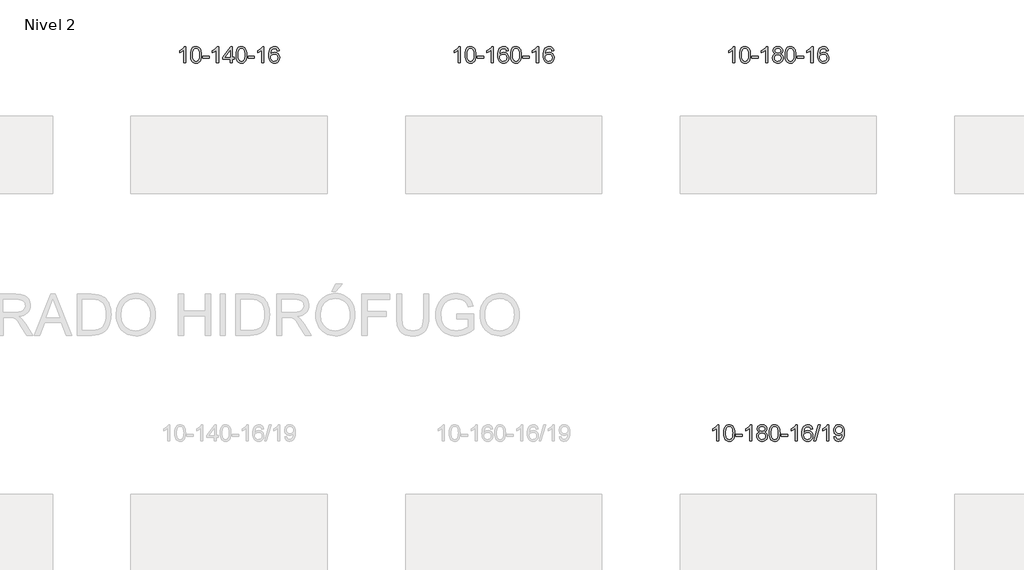
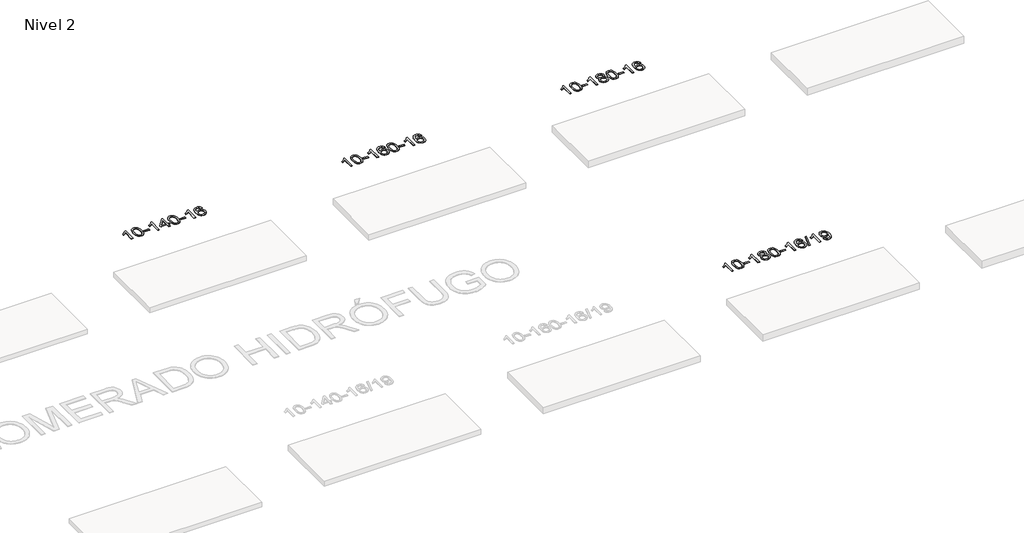
# One storey, part 20 of 51: 4 proxies.
"""IFC4 building model written with IfcOpenShell, lengths in millimetres."""

from ifc_helpers import new_model, si_unit, frame, origin, place, context, project, spatial, polyline, outline, extrude, element, save

model = new_model("IFC4")

# Units and contexts
model_context = context("Model", 3, world=origin())
ifc_project = project(units=[si_unit("LENGTHUNIT", "METRE", prefix="MILLI")], contexts=[model_context])

# Site, building, storey
site = spatial("IfcSite", under=ifc_project)
building = spatial("IfcBuilding", under=site)
storey = spatial("IfcBuildingStorey", under=building, Name="Nivel 2", Elevation=3000.0)

# Proxies
placement = place(None, origin())
element("IfcBuildingElementProxy", 1, Name="Texto de modelo 1", ObjectType="Texto de modelo 1", at=placement, inside=storey, context=model_context, shape_type="SweptSolid", body=[
    extrude(outline(polyline([(31530.5538842, -130180.5895642), (31480.3257291, -130180.5895642), (31480.3257291, -129867.4484099), (31459.3564554, -129884.4077699), (31432.7463244, -129901.3426044), (31379.869419, -129926.7019366), (31379.869419, -129879.2206338), (31419.3186316, -129857.7608507), (31453.494869, -129832.2298403), (31480.4360937, -129805.080149), (31498.1802686, -129778.7643236), (31530.5538842, -129778.7643236), (31530.5538842, -130180.5895642)])), frame((0.0, 0.0, 3000.0), z_axis=(0.0, 0.0, 1.0), x_axis=(1.0, 0.0, 0.0)), (0.0, 0.0, 1.0), 10.0),
    extrude(outline(polyline([(31649.8457525, -129982.9143055), (31653.5368352, -129918.59627), (31664.6100833, -129867.3012571), (31682.9551321, -129828.244452), (31694.8131951, -129813.0110717), (31708.4616171, -129800.6410396), (31723.9463834, -129791.0699764), (31741.3134792, -129784.2335026), (31781.6946596, -129778.7643236), (31812.6457981, -129782.0016852), (31840.3595751, -129791.7137699), (31863.5361408, -129807.5204329), (31880.8756455, -129829.0415296), (31893.9722445, -129856.093119), (31904.4200932, -129888.4912601), (31911.2626983, -129929.6327299), (31913.5435667, -129982.9143055), (31909.8892722, -130046.864459), (31898.9263887, -130098.0368445), (31880.6917045, -130137.1304379), (31868.8612327, -130152.4098034), (31855.2220077, -130164.8442148), (31839.7188473, -130174.4796574), (31822.2965691, -130181.3621164), (31781.6946596, -130186.8680836), (31754.0299335, -130184.4768507), (31729.5044672, -130177.3031517), (31708.1182605, -130165.3469869), (31689.8713136, -130148.6083561), (31672.3601306, -130118.350062), (31659.8521428, -130080.6482889), (31652.3473501, -130035.5030367), (31649.8457525, -129982.9143055)]), holes=[polyline([(31700.0739076, -129982.8162036), (31701.5454356, -130026.4807308), (31705.9600195, -130061.8249935), (31713.3176594, -130088.8489917), (31723.6183553, -130107.5527255), (31736.0772922, -130120.2783768), (31749.9096552, -130129.3681278), (31765.1154443, -130134.8219784), (31781.6946596, -130136.6399285), (31798.2738748, -130134.815847), (31813.479664, -130129.3436023), (31827.312027, -130120.2231945), (31839.7709639, -130107.4546236), (31850.0716598, -130088.720233), (31857.4292997, -130061.7023661), (31861.8438836, -130026.401023), (31863.3154116, -129982.8162036), (31861.8929345, -129940.3074391), (31857.6255034, -129905.5855101), (31850.5131181, -129878.6504167), (31840.5557788, -129859.5021588), (31828.3053084, -129846.1541738), (31814.3135298, -129836.6198987), (31798.5804432, -129830.8993337), (31781.1060484, -129828.9924787), (31764.6126723, -129830.6724732), (31749.6644005, -129835.7124565), (31736.2612332, -129844.1124287), (31724.4031702, -129855.8723898), (31713.7591178, -129876.7190362), (31706.1562232, -129904.8252207), (31701.5944865, -129940.1909431), (31700.0739076, -129982.8162036)])]), frame((0.0, 0.0, 3000.0), z_axis=(0.0, 0.0, 1.0), x_axis=(1.0, 0.0, 0.0)), (0.0, 0.0, 1.0), 10.0),
    extrude(outline(polyline([(31944.9361636, -130061.2976959), (31944.9361636, -130011.0695409), (32101.8991482, -130011.0695409), (32101.8991482, -130061.2976959), (31944.9361636, -130061.2976959)])), frame((0.0, 0.0, 3000.0), z_axis=(0.0, 0.0, 1.0), x_axis=(1.0, 0.0, 0.0)), (0.0, 0.0, 1.0), 10.0),
    extrude(outline(polyline([(32334.2043654, -130180.5895642), (32283.9762103, -130180.5895642), (32283.9762103, -129867.4484099), (32263.0069366, -129884.4077699), (32236.3968056, -129901.3426044), (32183.5199002, -129926.7019366), (32183.5199002, -129879.2206338), (32222.9691128, -129857.7608507), (32257.1453502, -129832.2298403), (32284.0865749, -129805.080149), (32301.8307498, -129778.7643236), (32334.2043654, -129778.7643236), (32334.2043654, -130180.5895642)])), frame((0.0, 0.0, 3000.0), z_axis=(0.0, 0.0, 1.0), x_axis=(1.0, 0.0, 0.0)), (0.0, 0.0, 1.0), 10.0),
    extrude(outline(polyline([(32616.7377377, -130180.5895642), (32616.7377377, -130086.4117735), (32434.6606756, -130086.4117735), (32434.6606756, -130036.1836184), (32629.2947765, -129785.042843), (32666.9658928, -129785.042843), (32666.9658928, -130036.1836184), (32717.1940479, -130036.1836184), (32717.1940479, -130086.4117735), (32666.9658928, -130086.4117735), (32666.9658928, -130180.5895642), (32616.7377377, -130180.5895642)]), holes=[polyline([(32616.7377377, -130036.1836184), (32616.7377377, -129880.9864674), (32496.4648507, -130036.1836184), (32616.7377377, -130036.1836184)])]), frame((0.0, 0.0, 3000.0), z_axis=(0.0, 0.0, 1.0), x_axis=(1.0, 0.0, 0.0)), (0.0, 0.0, 1.0), 10.0),
    extrude(outline(polyline([(32761.1436835, -129982.9143055), (32764.8347662, -129918.59627), (32775.9080143, -129867.3012571), (32794.2530631, -129828.244452), (32806.1111261, -129813.0110717), (32819.7595481, -129800.6410396), (32835.2443144, -129791.0699764), (32852.6114103, -129784.2335026), (32892.9925906, -129778.7643236), (32923.9437291, -129782.0016852), (32951.6575061, -129791.7137699), (32974.8340718, -129807.5204329), (32992.1735765, -129829.0415296), (33005.2701755, -129856.093119), (33015.7180242, -129888.4912601), (33022.5606293, -129929.6327299), (33024.8414977, -129982.9143055), (33021.1872032, -130046.864459), (33010.2243197, -130098.0368445), (32991.9896355, -130137.1304379), (32980.1591637, -130152.4098034), (32966.5199387, -130164.8442148), (32951.0167783, -130174.4796574), (32933.5945001, -130181.3621164), (32892.9925906, -130186.8680836), (32865.3278646, -130184.4768507), (32840.8023982, -130177.3031517), (32819.4161916, -130165.3469869), (32801.1692446, -130148.6083561), (32783.6580616, -130118.350062), (32771.1500738, -130080.6482889), (32763.6452811, -130035.5030367), (32761.1436835, -129982.9143055)]), holes=[polyline([(32811.3718386, -129982.8162036), (32812.8433666, -130026.4807308), (32817.2579505, -130061.8249935), (32824.6155904, -130088.8489917), (32834.9162863, -130107.5527255), (32847.3752232, -130120.2783768), (32861.2075862, -130129.3681278), (32876.4133754, -130134.8219784), (32892.9925906, -130136.6399285), (32909.5718059, -130134.815847), (32924.777595, -130129.3436023), (32938.609958, -130120.2231945), (32951.0688949, -130107.4546236), (32961.3695908, -130088.720233), (32968.7272307, -130061.7023661), (32973.1418146, -130026.401023), (32974.6133426, -129982.8162036), (32973.1908656, -129940.3074391), (32968.9234344, -129905.5855101), (32961.8110492, -129878.6504167), (32951.8537098, -129859.5021588), (32939.6032394, -129846.1541738), (32925.6114609, -129836.6198987), (32909.8783742, -129830.8993337), (32892.4039794, -129828.9924787), (32875.9106033, -129830.6724732), (32860.9623316, -129835.7124565), (32847.5591642, -129844.1124287), (32835.7011012, -129855.8723898), (32825.0570488, -129876.7190362), (32817.4541543, -129904.8252207), (32812.8924175, -129940.1909431), (32811.3718386, -129982.8162036)])]), frame((0.0, 0.0, 3000.0), z_axis=(0.0, 0.0, 1.0), x_axis=(1.0, 0.0, 0.0)), (0.0, 0.0, 1.0), 10.0),
    extrude(outline(polyline([(33056.2340946, -130061.2976959), (33056.2340946, -130011.0695409), (33213.1970792, -130011.0695409), (33213.1970792, -130061.2976959), (33056.2340946, -130061.2976959)])), frame((0.0, 0.0, 3000.0), z_axis=(0.0, 0.0, 1.0), x_axis=(1.0, 0.0, 0.0)), (0.0, 0.0, 1.0), 10.0),
    extrude(outline(polyline([(33445.5022964, -130180.5895642), (33395.2741414, -130180.5895642), (33395.2741414, -129867.4484099), (33374.3048676, -129884.4077699), (33347.6947367, -129901.3426044), (33294.8178312, -129926.7019366), (33294.8178312, -129879.2206338), (33334.2670438, -129857.7608507), (33368.4432812, -129832.2298403), (33395.384506, -129805.080149), (33413.1286809, -129778.7643236), (33445.5022964, -129778.7643236), (33445.5022964, -130180.5895642)])), frame((0.0, 0.0, 3000.0), z_axis=(0.0, 0.0, 1.0), x_axis=(1.0, 0.0, 0.0)), (0.0, 0.0, 1.0), 10.0),
    extrude(outline(polyline([(33822.2134595, -129885.4991532), (33771.9853044, -129891.7776726), (33763.8919005, -129866.8843242), (33752.9535425, -129849.888176), (33730.1693843, -129834.216403), (33702.6272856, -129828.9924787), (33679.2790416, -129832.0336365), (33657.3042238, -129841.15711), (33638.4318774, -129860.3728129), (33623.0176218, -129886.8235284), (33612.6065614, -129924.2371273), (33608.7438004, -129976.3414805), (33628.891471, -129952.833821), (33653.0367927, -129936.2668685), (33679.8308646, -129926.4444192), (33707.9247863, -129923.1702695), (33732.0578452, -129925.4082183), (33754.3269687, -129932.1220647), (33774.7321567, -129943.3118087), (33793.2734092, -129958.9774503), (33808.6815334, -129978.1870219), (33819.6873365, -130000.0085555), (33826.2908183, -130024.4420514), (33828.4919789, -130051.4875094), (33824.3471751, -130087.4541058), (33811.9127636, -130120.7964773), (33792.2188142, -130149.07434), (33766.2953962, -130169.84741), (33735.3197322, -130182.6129152), (33700.4690446, -130186.8680836), (33670.5265158, -130184.047655), (33643.4841235, -130175.5863691), (33619.3418676, -130161.484226), (33598.099748, -130141.7412255), (33580.7817031, -130115.523502), (33568.411671, -130081.9971895), (33560.9896518, -130041.1622881), (33558.5156454, -129993.0187976), (33561.2624976, -129939.0443776), (33569.5030543, -129892.9794204), (33583.2373154, -129854.8239261), (33602.465281, -129824.5778948), (33623.3057961, -129804.5344574), (33647.4695118, -129790.2177164), (33674.9564282, -129781.6276718), (33705.7665453, -129778.7643236), (33728.9001914, -129780.5362886), (33749.8388083, -129785.8521834), (33768.582396, -129794.7120081), (33785.1309544, -129807.1157627), (33799.0368938, -129822.6465143), (33809.8526245, -129840.8873299), (33817.5781464, -129861.8382095), (33822.2134595, -129885.4991532)]), holes=[polyline([(33608.7438004, -130050.7026945), (33611.6500682, -130072.9595552), (33620.3688715, -130094.2108718), (33633.9069289, -130112.4823442), (33651.2709591, -130125.7996724), (33672.2279701, -130133.9298645), (33696.5449699, -130136.6399285), (33729.6911377, -130131.0235968), (33743.6062742, -130124.003182), (33755.7494457, -130114.1746014), (33765.5994861, -130101.9363937), (33772.6352293, -130087.6870977), (33778.2638238, -130053.1552411), (33772.7088057, -130020.0090733), (33765.765033, -130006.3882425), (33756.0437513, -129994.7355803), (33743.8637916, -129985.4005746), (33729.5439849, -129978.7327135), (33694.4848308, -129973.3984246), (33661.3877139, -129978.7327135), (33633.7107252, -129994.7355803), (33622.7876956, -130006.2349583), (33614.9855316, -130019.3959367), (33610.3042332, -130034.2185154), (33608.7438004, -130050.7026945)])]), frame((0.0, 0.0, 3000.0), z_axis=(0.0, 0.0, 1.0), x_axis=(1.0, 0.0, 0.0)), (0.0, 0.0, 1.0), 10.0),
])
element("IfcBuildingElementProxy", 2, Name="Texto de modelo 1", ObjectType="Texto de modelo 1", at=placement, inside=storey, context=model_context, shape_type="SweptSolid", body=[
    extrude(outline(polyline([(38245.494419, -130180.5895642), (38195.266264, -130180.5895642), (38195.266264, -129867.4484099), (38174.2969902, -129884.4077699), (38147.6868593, -129901.3426044), (38094.8099538, -129926.7019366), (38094.8099538, -129879.2206338), (38134.2591664, -129857.7608507), (38168.4354038, -129832.2298403), (38195.3766286, -129805.080149), (38213.1208035, -129778.7643236), (38245.494419, -129778.7643236), (38245.494419, -130180.5895642)])), frame((0.0, 0.0, 3000.0), z_axis=(0.0, 0.0, 1.0), x_axis=(1.0, 0.0, 0.0)), (0.0, 0.0, 1.0), 10.0),
    extrude(outline(polyline([(38364.7862873, -129982.9143055), (38368.47737, -129918.59627), (38379.5506181, -129867.3012571), (38397.8956669, -129828.244452), (38409.7537299, -129813.0110717), (38423.4021519, -129800.6410396), (38438.8869182, -129791.0699764), (38456.2540141, -129784.2335026), (38496.6351944, -129778.7643236), (38527.5863329, -129782.0016852), (38555.3001099, -129791.7137699), (38578.4766756, -129807.5204329), (38595.8161803, -129829.0415296), (38608.9127793, -129856.093119), (38619.360628, -129888.4912601), (38626.2032331, -129929.6327299), (38628.4841015, -129982.9143055), (38624.829807, -130046.864459), (38613.8669235, -130098.0368445), (38595.6322393, -130137.1304379), (38583.8017675, -130152.4098034), (38570.1625425, -130164.8442148), (38554.6593821, -130174.4796574), (38537.2371039, -130181.3621164), (38496.6351944, -130186.8680836), (38468.9704684, -130184.4768507), (38444.445002, -130177.3031517), (38423.0587954, -130165.3469869), (38404.8118484, -130148.6083561), (38387.3006654, -130118.350062), (38374.7926776, -130080.6482889), (38367.2878849, -130035.5030367), (38364.7862873, -129982.9143055)]), holes=[polyline([(38415.0144424, -129982.8162036), (38416.4859704, -130026.4807308), (38420.9005543, -130061.8249935), (38428.2581942, -130088.8489917), (38438.5588901, -130107.5527255), (38451.017827, -130120.2783768), (38464.85019, -130129.3681278), (38480.0559792, -130134.8219784), (38496.6351944, -130136.6399285), (38513.2144097, -130134.815847), (38528.4201988, -130129.3436023), (38542.2525618, -130120.2231945), (38554.7114987, -130107.4546236), (38565.0121946, -130088.720233), (38572.3698345, -130061.7023661), (38576.7844184, -130026.401023), (38578.2559464, -129982.8162036), (38576.8334694, -129940.3074391), (38572.5660382, -129905.5855101), (38565.453653, -129878.6504167), (38555.4963136, -129859.5021588), (38543.2458432, -129846.1541738), (38529.2540646, -129836.6198987), (38513.520978, -129830.8993337), (38496.0465832, -129828.9924787), (38479.5532071, -129830.6724732), (38464.6049354, -129835.7124565), (38451.201768, -129844.1124287), (38439.343705, -129855.8723898), (38428.6996526, -129876.7190362), (38421.0967581, -129904.8252207), (38416.5350213, -129940.1909431), (38415.0144424, -129982.8162036)])]), frame((0.0, 0.0, 3000.0), z_axis=(0.0, 0.0, 1.0), x_axis=(1.0, 0.0, 0.0)), (0.0, 0.0, 1.0), 10.0),
    extrude(outline(polyline([(38659.8766984, -130061.2976959), (38659.8766984, -130011.0695409), (38816.839683, -130011.0695409), (38816.839683, -130061.2976959), (38659.8766984, -130061.2976959)])), frame((0.0, 0.0, 3000.0), z_axis=(0.0, 0.0, 1.0), x_axis=(1.0, 0.0, 0.0)), (0.0, 0.0, 1.0), 10.0),
    extrude(outline(polyline([(39049.1449002, -130180.5895642), (38998.9167452, -130180.5895642), (38998.9167452, -129867.4484099), (38977.9474714, -129884.4077699), (38951.3373404, -129901.3426044), (38898.460435, -129926.7019366), (38898.460435, -129879.2206338), (38937.9096476, -129857.7608507), (38972.085885, -129832.2298403), (38999.0271098, -129805.080149), (39016.7712847, -129778.7643236), (39049.1449002, -129778.7643236), (39049.1449002, -130180.5895642)])), frame((0.0, 0.0, 3000.0), z_axis=(0.0, 0.0, 1.0), x_axis=(1.0, 0.0, 0.0)), (0.0, 0.0, 1.0), 10.0),
    extrude(outline(polyline([(39425.8560633, -129885.4991532), (39375.6279082, -129891.7776726), (39367.5345043, -129866.8843242), (39356.5961463, -129849.888176), (39333.8119881, -129834.216403), (39306.2698894, -129828.9924787), (39282.9216454, -129832.0336365), (39260.9468276, -129841.15711), (39242.0744812, -129860.3728129), (39226.6602256, -129886.8235284), (39216.2491652, -129924.2371273), (39212.3864042, -129976.3414805), (39232.5340748, -129952.833821), (39256.6793964, -129936.2668685), (39283.4734684, -129926.4444192), (39311.5673901, -129923.1702695), (39335.700449, -129925.4082183), (39357.9695725, -129932.1220647), (39378.3747604, -129943.3118087), (39396.916013, -129958.9774503), (39412.3241372, -129978.1870219), (39423.3299403, -130000.0085555), (39429.9334221, -130024.4420514), (39432.1345827, -130051.4875094), (39427.9897789, -130087.4541058), (39415.5553674, -130120.7964773), (39395.861418, -130149.07434), (39369.938, -130169.84741), (39338.962336, -130182.6129152), (39304.1116484, -130186.8680836), (39274.1691196, -130184.047655), (39247.1267273, -130175.5863691), (39222.9844714, -130161.484226), (39201.7423518, -130141.7412255), (39184.4243069, -130115.523502), (39172.0542748, -130081.9971895), (39164.6322556, -130041.1622881), (39162.1582492, -129993.0187976), (39164.9051014, -129939.0443776), (39173.1456581, -129892.9794204), (39186.8799192, -129854.8239261), (39206.1078848, -129824.5778948), (39226.9483999, -129804.5344574), (39251.1121156, -129790.2177164), (39278.599032, -129781.6276718), (39309.4091491, -129778.7643236), (39332.5427952, -129780.5362886), (39353.4814121, -129785.8521834), (39372.2249998, -129794.7120081), (39388.7735582, -129807.1157627), (39402.6794976, -129822.6465143), (39413.4952283, -129840.8873299), (39421.2207502, -129861.8382095), (39425.8560633, -129885.4991532)]), holes=[polyline([(39212.3864042, -130050.7026945), (39215.292672, -130072.9595552), (39224.0114753, -130094.2108718), (39237.5495327, -130112.4823442), (39254.9135629, -130125.7996724), (39275.8705739, -130133.9298645), (39300.1875737, -130136.6399285), (39333.3337415, -130131.0235968), (39347.248878, -130124.003182), (39359.3920495, -130114.1746014), (39369.2420899, -130101.9363937), (39376.2778331, -130087.6870977), (39381.9064276, -130053.1552411), (39376.3514095, -130020.0090733), (39369.4076368, -130006.3882425), (39359.6863551, -129994.7355803), (39347.5063954, -129985.4005746), (39333.1865887, -129978.7327135), (39298.1274346, -129973.3984246), (39265.0303177, -129978.7327135), (39237.353329, -129994.7355803), (39226.4302994, -130006.2349583), (39218.6281354, -130019.3959367), (39213.946837, -130034.2185154), (39212.3864042, -130050.7026945)])]), frame((0.0, 0.0, 3000.0), z_axis=(0.0, 0.0, 1.0), x_axis=(1.0, 0.0, 0.0)), (0.0, 0.0, 1.0), 10.0),
    extrude(outline(polyline([(39476.0842184, -129982.9143055), (39479.7753011, -129918.59627), (39490.8485491, -129867.3012571), (39509.1935979, -129828.244452), (39521.0516609, -129813.0110717), (39534.7000829, -129800.6410396), (39550.1848492, -129791.0699764), (39567.5519451, -129784.2335026), (39607.9331254, -129778.7643236), (39638.884264, -129782.0016852), (39666.5980409, -129791.7137699), (39689.7746066, -129807.5204329), (39707.1141113, -129829.0415296), (39720.2107104, -129856.093119), (39730.658559, -129888.4912601), (39737.5011641, -129929.6327299), (39739.7820325, -129982.9143055), (39736.127738, -130046.864459), (39725.1648546, -130098.0368445), (39706.9301703, -130137.1304379), (39695.0996985, -130152.4098034), (39681.4604735, -130164.8442148), (39665.9573131, -130174.4796574), (39648.535035, -130181.3621164), (39607.9331254, -130186.8680836), (39580.2683994, -130184.4768507), (39555.7429331, -130177.3031517), (39534.3567264, -130165.3469869), (39516.1097794, -130148.6083561), (39498.5985965, -130118.350062), (39486.0906086, -130080.6482889), (39478.5858159, -130035.5030367), (39476.0842184, -129982.9143055)]), holes=[polyline([(39526.3123734, -129982.8162036), (39527.7839014, -130026.4807308), (39532.1984854, -130061.8249935), (39539.5561253, -130088.8489917), (39549.8568211, -130107.5527255), (39562.315758, -130120.2783768), (39576.1481211, -130129.3681278), (39591.3539102, -130134.8219784), (39607.9331254, -130136.6399285), (39624.5123407, -130134.815847), (39639.7181298, -130129.3436023), (39653.5504928, -130120.2231945), (39666.0094297, -130107.4546236), (39676.3101256, -130088.720233), (39683.6677655, -130061.7023661), (39688.0823495, -130026.401023), (39689.5538774, -129982.8162036), (39688.1314004, -129940.3074391), (39683.8639692, -129905.5855101), (39676.751584, -129878.6504167), (39666.7942447, -129859.5021588), (39654.5437742, -129846.1541738), (39640.5519957, -129836.6198987), (39624.818909, -129830.8993337), (39607.3445142, -129828.9924787), (39590.8511381, -129830.6724732), (39575.9028664, -129835.7124565), (39562.499699, -129844.1124287), (39550.6416361, -129855.8723898), (39539.9975837, -129876.7190362), (39532.3946891, -129904.8252207), (39527.8329524, -129940.1909431), (39526.3123734, -129982.8162036)])]), frame((0.0, 0.0, 3000.0), z_axis=(0.0, 0.0, 1.0), x_axis=(1.0, 0.0, 0.0)), (0.0, 0.0, 1.0), 10.0),
    extrude(outline(polyline([(39771.1746294, -130061.2976959), (39771.1746294, -130011.0695409), (39928.137614, -130011.0695409), (39928.137614, -130061.2976959), (39771.1746294, -130061.2976959)])), frame((0.0, 0.0, 3000.0), z_axis=(0.0, 0.0, 1.0), x_axis=(1.0, 0.0, 0.0)), (0.0, 0.0, 1.0), 10.0),
    extrude(outline(polyline([(40160.4428313, -130180.5895642), (40110.2146762, -130180.5895642), (40110.2146762, -129867.4484099), (40089.2454025, -129884.4077699), (40062.6352715, -129901.3426044), (40009.758366, -129926.7019366), (40009.758366, -129879.2206338), (40049.2075787, -129857.7608507), (40083.383816, -129832.2298403), (40110.3250408, -129805.080149), (40128.0692157, -129778.7643236), (40160.4428313, -129778.7643236), (40160.4428313, -130180.5895642)])), frame((0.0, 0.0, 3000.0), z_axis=(0.0, 0.0, 1.0), x_axis=(1.0, 0.0, 0.0)), (0.0, 0.0, 1.0), 10.0),
    extrude(outline(polyline([(40537.1539943, -129885.4991532), (40486.9258392, -129891.7776726), (40478.8324354, -129866.8843242), (40467.8940774, -129849.888176), (40445.1099191, -129834.216403), (40417.5678204, -129828.9924787), (40394.2195765, -129832.0336365), (40372.2447586, -129841.15711), (40353.3724123, -129860.3728129), (40337.9581567, -129886.8235284), (40327.5470962, -129924.2371273), (40323.6843353, -129976.3414805), (40343.8320059, -129952.833821), (40367.9773275, -129936.2668685), (40394.7713995, -129926.4444192), (40422.8653212, -129923.1702695), (40446.99838, -129925.4082183), (40469.2675035, -129932.1220647), (40489.6726915, -129943.3118087), (40508.213944, -129958.9774503), (40523.6220683, -129978.1870219), (40534.6278713, -130000.0085555), (40541.2313531, -130024.4420514), (40543.4325137, -130051.4875094), (40539.2877099, -130087.4541058), (40526.8532985, -130120.7964773), (40507.159349, -130149.07434), (40481.2359311, -130169.84741), (40450.2602671, -130182.6129152), (40415.4095794, -130186.8680836), (40385.4670507, -130184.047655), (40358.4246583, -130175.5863691), (40334.2824024, -130161.484226), (40313.0402829, -130141.7412255), (40295.7222379, -130115.523502), (40283.3522059, -130081.9971895), (40275.9301866, -130041.1622881), (40273.4561802, -129993.0187976), (40276.2030324, -129939.0443776), (40284.4435891, -129892.9794204), (40298.1778503, -129854.8239261), (40317.4058159, -129824.5778948), (40338.2463309, -129804.5344574), (40362.4100466, -129790.2177164), (40389.896963, -129781.6276718), (40420.7070801, -129778.7643236), (40443.8407262, -129780.5362886), (40464.7793431, -129785.8521834), (40483.5229308, -129794.7120081), (40500.0714892, -129807.1157627), (40513.9774286, -129822.6465143), (40524.7931593, -129840.8873299), (40532.5186812, -129861.8382095), (40537.1539943, -129885.4991532)]), holes=[polyline([(40323.6843353, -130050.7026945), (40326.590603, -130072.9595552), (40335.3094063, -130094.2108718), (40348.8474637, -130112.4823442), (40366.2114939, -130125.7996724), (40387.1685049, -130133.9298645), (40411.4855048, -130136.6399285), (40444.6316725, -130131.0235968), (40458.546809, -130124.003182), (40470.6899805, -130114.1746014), (40480.5400209, -130101.9363937), (40487.5757641, -130087.6870977), (40493.2043586, -130053.1552411), (40487.6493405, -130020.0090733), (40480.7055678, -130006.3882425), (40470.9842861, -129994.7355803), (40458.8043264, -129985.4005746), (40444.4845197, -129978.7327135), (40409.4253656, -129973.3984246), (40376.3282488, -129978.7327135), (40348.65126, -129994.7355803), (40337.7282304, -130006.2349583), (40329.9260664, -130019.3959367), (40325.2447681, -130034.2185154), (40323.6843353, -130050.7026945)])]), frame((0.0, 0.0, 3000.0), z_axis=(0.0, 0.0, 1.0), x_axis=(1.0, 0.0, 0.0)), (0.0, 0.0, 1.0), 10.0),
])
element("IfcBuildingElementProxy", 3, Name="Texto de modelo 1", ObjectType="Texto de modelo 1", at=placement, inside=storey, context=model_context, shape_type="SweptSolid", body=[
    extrude(outline(polyline([(44960.4349539, -130180.5895642), (44910.2067988, -130180.5895642), (44910.2067988, -129867.4484099), (44889.2375251, -129884.4077699), (44862.6273941, -129901.3426044), (44809.7504886, -129926.7019366), (44809.7504886, -129879.2206338), (44849.1997013, -129857.7608507), (44883.3759386, -129832.2298403), (44910.3171634, -129805.080149), (44928.0613383, -129778.7643236), (44960.4349539, -129778.7643236), (44960.4349539, -130180.5895642)])), frame((0.0, 0.0, 3000.0), z_axis=(0.0, 0.0, 1.0), x_axis=(1.0, 0.0, 0.0)), (0.0, 0.0, 1.0), 10.0),
    extrude(outline(polyline([(45079.7268222, -129982.9143055), (45083.4179048, -129918.59627), (45094.4911529, -129867.3012571), (45112.8362017, -129828.244452), (45124.6942647, -129813.0110717), (45138.3426867, -129800.6410396), (45153.827453, -129791.0699764), (45171.1945489, -129784.2335026), (45211.5757292, -129778.7643236), (45242.5268678, -129782.0016852), (45270.2406447, -129791.7137699), (45293.4172104, -129807.5204329), (45310.7567151, -129829.0415296), (45323.8533142, -129856.093119), (45334.3011628, -129888.4912601), (45341.1437679, -129929.6327299), (45343.4246363, -129982.9143055), (45339.7703418, -130046.864459), (45328.8074584, -130098.0368445), (45310.5727741, -130137.1304379), (45298.7423023, -130152.4098034), (45285.1030773, -130164.8442148), (45269.5999169, -130174.4796574), (45252.1776388, -130181.3621164), (45211.5757292, -130186.8680836), (45183.9110032, -130184.4768507), (45159.3855369, -130177.3031517), (45137.9993302, -130165.3469869), (45119.7523832, -130148.6083561), (45102.2412003, -130118.350062), (45089.7332124, -130080.6482889), (45082.2284197, -130035.5030367), (45079.7268222, -129982.9143055)]), holes=[polyline([(45129.9549772, -129982.8162036), (45131.4265052, -130026.4807308), (45135.8410892, -130061.8249935), (45143.1987291, -130088.8489917), (45153.4994249, -130107.5527255), (45165.9583618, -130120.2783768), (45179.7907249, -130129.3681278), (45194.996514, -130134.8219784), (45211.5757292, -130136.6399285), (45228.1549445, -130134.815847), (45243.3607336, -130129.3436023), (45257.1930966, -130120.2231945), (45269.6520335, -130107.4546236), (45279.9527294, -130088.720233), (45287.3103693, -130061.7023661), (45291.7249532, -130026.401023), (45293.1964812, -129982.8162036), (45291.7740042, -129940.3074391), (45287.506573, -129905.5855101), (45280.3941878, -129878.6504167), (45270.4368485, -129859.5021588), (45258.186378, -129846.1541738), (45244.1945995, -129836.6198987), (45228.4615128, -129830.8993337), (45210.987118, -129828.9924787), (45194.4937419, -129830.6724732), (45179.5454702, -129835.7124565), (45166.1423028, -129844.1124287), (45154.2842399, -129855.8723898), (45143.6401875, -129876.7190362), (45136.0372929, -129904.8252207), (45131.4755562, -129940.1909431), (45129.9549772, -129982.8162036)])]), frame((0.0, 0.0, 3000.0), z_axis=(0.0, 0.0, 1.0), x_axis=(1.0, 0.0, 0.0)), (0.0, 0.0, 1.0), 10.0),
    extrude(outline(polyline([(45374.8172332, -130061.2976959), (45374.8172332, -130011.0695409), (45531.7802178, -130011.0695409), (45531.7802178, -130061.2976959), (45374.8172332, -130061.2976959)])), frame((0.0, 0.0, 3000.0), z_axis=(0.0, 0.0, 1.0), x_axis=(1.0, 0.0, 0.0)), (0.0, 0.0, 1.0), 10.0),
    extrude(outline(polyline([(45764.0854351, -130180.5895642), (45713.85728, -130180.5895642), (45713.85728, -129867.4484099), (45692.8880063, -129884.4077699), (45666.2778753, -129901.3426044), (45613.4009698, -129926.7019366), (45613.4009698, -129879.2206338), (45652.8501824, -129857.7608507), (45687.0264198, -129832.2298403), (45713.9676446, -129805.080149), (45731.7118195, -129778.7643236), (45764.0854351, -129778.7643236), (45764.0854351, -130180.5895642)])), frame((0.0, 0.0, 3000.0), z_axis=(0.0, 0.0, 1.0), x_axis=(1.0, 0.0, 0.0)), (0.0, 0.0, 1.0), 10.0),
    extrude(outline(polyline([(45956.5612949, -129959.2717559), (45929.6691211, -129946.0280041), (45910.7967747, -129928.0753627), (45899.6499503, -129905.7817138), (45895.9343421, -129879.5149394), (45897.9576931, -129859.0300436), (45904.027746, -129840.2496678), (45914.1445009, -129823.1738118), (45928.3079577, -129807.8024758), (45945.8375348, -129795.0982842), (45966.0526504, -129786.0238617), (45988.9533046, -129780.5792081), (46014.5394974, -129778.7643236), (46040.2483175, -129780.6221277), (46063.3206499, -129786.1955399), (46083.7564948, -129795.4845603), (46101.555852, -129808.4891888), (46115.9768262, -129824.1609618), (46126.277522, -129841.4514156), (46132.4579396, -129860.3605502), (46134.5180787, -129880.8883655), (46130.8515215, -129906.3090114), (46119.8518499, -129928.2225155), (46101.3964364, -129946.0647923), (46075.3626539, -129959.2717559), (46106.2770042, -129975.2010463), (46128.7791196, -129998.6596549), (46142.501118, -130028.5194102), (46147.0751175, -130063.6521407), (46144.8065119, -130088.7049046), (46138.000695, -130111.6730038), (46126.6576668, -130132.5564384), (46110.7774273, -130151.3552084), (46091.1938424, -130166.8920913), (46068.740778, -130177.9898648), (46043.418234, -130184.6485289), (46015.2262104, -130186.8680836), (45987.0341869, -130184.6393319), (45961.7116429, -130177.9530766), (45939.2585784, -130166.8093178), (45919.6749936, -130151.2080556), (45903.7947541, -130132.2774612), (45892.4517259, -130111.1457063), (45885.645909, -130087.8127907), (45883.3773034, -130062.2787146), (45888.1352438, -130025.7848207), (45902.4090652, -129995.7656499), (45925.4630036, -129973.2512718), (45956.5612949, -129959.2717559)]), holes=[polyline([(45946.1624972, -129880.9864674), (45950.6138693, -129902.9122343), (45963.9679858, -129920.4234172), (45985.832439, -129931.9013355), (46015.8148216, -129935.7273082), (46045.0982284, -129931.925861), (46066.6315879, -129920.5215191), (46079.8753397, -129903.5989473), (46084.2899237, -129883.2428103), (46079.7281869, -129862.114121), (46066.0429767, -129844.6397262), (46044.2153117, -129832.9042906), (46015.2262104, -129828.9924787), (45986.0531682, -129832.8184515), (45964.2622914, -129844.2963697), (45950.6874457, -129861.1208396), (45946.1624972, -129880.9864674)]), polyline([(45933.6054584, -130060.512881), (45935.7023858, -130079.7285839), (45941.9931679, -130098.3311501), (45953.6059762, -130114.5547461), (45971.6689822, -130126.6335383), (45993.3004435, -130134.138331), (46015.6186179, -130136.6399285), (46049.807118, -130131.379216), (46063.7007947, -130124.8033254), (46075.4607558, -130115.5970784), (46091.5004108, -130091.6970115), (46096.8469624, -130062.0825109), (46091.3287325, -130031.9652382), (46074.7740427, -130007.5378737), (46062.6952505, -129998.0955692), (46048.5317937, -129991.3510659), (46013.9508862, -129985.9554633), (45980.2406327, -129991.2774895), (45966.5033059, -129997.9300223), (45954.8445123, -130007.2435681), (45938.9152219, -130031.2049487), (45933.6054584, -130060.512881)])]), frame((0.0, 0.0, 3000.0), z_axis=(0.0, 0.0, 1.0), x_axis=(1.0, 0.0, 0.0)), (0.0, 0.0, 1.0), 10.0),
    extrude(outline(polyline([(46191.0247532, -129982.9143055), (46194.7158359, -129918.59627), (46205.7890839, -129867.3012571), (46224.1341328, -129828.244452), (46235.9921957, -129813.0110717), (46249.6406178, -129800.6410396), (46265.1253841, -129791.0699764), (46282.4924799, -129784.2335026), (46322.8736603, -129778.7643236), (46353.8247988, -129782.0016852), (46381.5385758, -129791.7137699), (46404.7151415, -129807.5204329), (46422.0546462, -129829.0415296), (46435.1512452, -129856.093119), (46445.5990939, -129888.4912601), (46452.441699, -129929.6327299), (46454.7225673, -129982.9143055), (46451.0682729, -130046.864459), (46440.1053894, -130098.0368445), (46421.8707052, -130137.1304379), (46410.0402333, -130152.4098034), (46396.4010084, -130164.8442148), (46380.897848, -130174.4796574), (46363.4755698, -130181.3621164), (46322.8736603, -130186.8680836), (46295.2089342, -130184.4768507), (46270.6834679, -130177.3031517), (46249.2972612, -130165.3469869), (46231.0503143, -130148.6083561), (46213.5391313, -130118.350062), (46201.0311435, -130080.6482889), (46193.5263508, -130035.5030367), (46191.0247532, -129982.9143055)]), holes=[polyline([(46241.2529083, -129982.8162036), (46242.7244362, -130026.4807308), (46247.1390202, -130061.8249935), (46254.4966601, -130088.8489917), (46264.797356, -130107.5527255), (46277.2562929, -130120.2783768), (46291.0886559, -130129.3681278), (46306.294445, -130134.8219784), (46322.8736603, -130136.6399285), (46339.4528755, -130134.815847), (46354.6586646, -130129.3436023), (46368.4910277, -130120.2231945), (46380.9499646, -130107.4546236), (46391.2506604, -130088.720233), (46398.6083003, -130061.7023661), (46403.0228843, -130026.401023), (46404.4944123, -129982.8162036), (46403.0719352, -129940.3074391), (46398.8045041, -129905.5855101), (46391.6921188, -129878.6504167), (46381.7347795, -129859.5021588), (46369.4843091, -129846.1541738), (46355.4925305, -129836.6198987), (46339.7594438, -129830.8993337), (46322.2850491, -129828.9924787), (46305.791673, -129830.6724732), (46290.8434012, -129835.7124565), (46277.4402339, -129844.1124287), (46265.5821709, -129855.8723898), (46254.9381185, -129876.7190362), (46247.3352239, -129904.8252207), (46242.7734872, -129940.1909431), (46241.2529083, -129982.8162036)])]), frame((0.0, 0.0, 3000.0), z_axis=(0.0, 0.0, 1.0), x_axis=(1.0, 0.0, 0.0)), (0.0, 0.0, 1.0), 10.0),
    extrude(outline(polyline([(46486.1151643, -130061.2976959), (46486.1151643, -130011.0695409), (46643.0781489, -130011.0695409), (46643.0781489, -130061.2976959), (46486.1151643, -130061.2976959)])), frame((0.0, 0.0, 3000.0), z_axis=(0.0, 0.0, 1.0), x_axis=(1.0, 0.0, 0.0)), (0.0, 0.0, 1.0), 10.0),
    extrude(outline(polyline([(46875.3833661, -130180.5895642), (46825.155211, -130180.5895642), (46825.155211, -129867.4484099), (46804.1859373, -129884.4077699), (46777.5758063, -129901.3426044), (46724.6989009, -129926.7019366), (46724.6989009, -129879.2206338), (46764.1481135, -129857.7608507), (46798.3243508, -129832.2298403), (46825.2655756, -129805.080149), (46843.0097505, -129778.7643236), (46875.3833661, -129778.7643236), (46875.3833661, -130180.5895642)])), frame((0.0, 0.0, 3000.0), z_axis=(0.0, 0.0, 1.0), x_axis=(1.0, 0.0, 0.0)), (0.0, 0.0, 1.0), 10.0),
    extrude(outline(polyline([(47252.0945291, -129885.4991532), (47201.8663741, -129891.7776726), (47193.7729702, -129866.8843242), (47182.8346122, -129849.888176), (47160.050454, -129834.216403), (47132.5083552, -129828.9924787), (47109.1601113, -129832.0336365), (47087.1852934, -129841.15711), (47068.3129471, -129860.3728129), (47052.8986915, -129886.8235284), (47042.487631, -129924.2371273), (47038.6248701, -129976.3414805), (47058.7725407, -129952.833821), (47082.9178623, -129936.2668685), (47109.7119343, -129926.4444192), (47137.805856, -129923.1702695), (47161.9389149, -129925.4082183), (47184.2080383, -129932.1220647), (47204.6132263, -129943.3118087), (47223.1544789, -129958.9774503), (47238.5626031, -129978.1870219), (47249.5684061, -130000.0085555), (47256.1718879, -130024.4420514), (47258.3730485, -130051.4875094), (47254.2282447, -130087.4541058), (47241.7938333, -130120.7964773), (47222.0998838, -130149.07434), (47196.1764659, -130169.84741), (47165.2008019, -130182.6129152), (47130.3501142, -130186.8680836), (47100.4075855, -130184.047655), (47073.3651932, -130175.5863691), (47049.2229372, -130161.484226), (47027.9808177, -130141.7412255), (47010.6627728, -130115.523502), (46998.2927407, -130081.9971895), (46990.8707214, -130041.1622881), (46988.396715, -129993.0187976), (46991.1435672, -129939.0443776), (46999.3841239, -129892.9794204), (47013.1183851, -129854.8239261), (47032.3463507, -129824.5778948), (47053.1868657, -129804.5344574), (47077.3505814, -129790.2177164), (47104.8374978, -129781.6276718), (47135.6476149, -129778.7643236), (47158.7812611, -129780.5362886), (47179.719878, -129785.8521834), (47198.4634656, -129794.7120081), (47215.012024, -129807.1157627), (47228.9179635, -129822.6465143), (47239.7336941, -129840.8873299), (47247.459216, -129861.8382095), (47252.0945291, -129885.4991532)]), holes=[polyline([(47038.6248701, -130050.7026945), (47041.5311378, -130072.9595552), (47050.2499411, -130094.2108718), (47063.7879986, -130112.4823442), (47081.1520287, -130125.7996724), (47102.1090397, -130133.9298645), (47126.4260396, -130136.6399285), (47159.5722074, -130131.0235968), (47173.4873438, -130124.003182), (47185.6305154, -130114.1746014), (47195.4805558, -130101.9363937), (47202.5162989, -130087.6870977), (47208.1448935, -130053.1552411), (47202.5898753, -130020.0090733), (47195.6461027, -130006.3882425), (47185.9248209, -129994.7355803), (47173.7448612, -129985.4005746), (47159.4250546, -129978.7327135), (47124.3659004, -129973.3984246), (47091.2687836, -129978.7327135), (47063.5917948, -129994.7355803), (47052.6687652, -130006.2349583), (47044.8666013, -130019.3959367), (47040.1853029, -130034.2185154), (47038.6248701, -130050.7026945)])]), frame((0.0, 0.0, 3000.0), z_axis=(0.0, 0.0, 1.0), x_axis=(1.0, 0.0, 0.0)), (0.0, 0.0, 1.0), 10.0),
])
element("IfcBuildingElementProxy", 4, Name="Texto de modelo 1", ObjectType="Texto de modelo 1", at=placement, inside=storey, context=model_context, shape_type="SweptSolid", body=[
    extrude(outline(polyline([(44574.3060117, -139438.9702671), (44524.0778566, -139438.9702671), (44524.0778566, -139125.8291128), (44503.1085829, -139142.7884728), (44476.4984519, -139159.7233073), (44423.6215465, -139185.0826395), (44423.6215465, -139137.6013367), (44463.0707591, -139116.1415536), (44497.2469965, -139090.6105432), (44524.1882212, -139063.4608519), (44541.9323961, -139037.1450265), (44574.3060117, -139037.1450265), (44574.3060117, -139438.9702671)])), frame((0.0, 0.0, 3000.0), z_axis=(0.0, 0.0, 1.0), x_axis=(1.0, 0.0, 0.0)), (0.0, 0.0, 1.0), 10.0),
    extrude(outline(polyline([(44693.59788, -139241.2950084), (44697.2889627, -139176.9769729), (44708.3622108, -139125.68196), (44726.7072596, -139086.6251549), (44738.5653226, -139071.3917746), (44752.2137446, -139059.0217425), (44767.6985109, -139049.4506793), (44785.0656068, -139042.6142055), (44825.4467871, -139037.1450265), (44856.3979256, -139040.3823881), (44884.1117026, -139050.0944728), (44907.2882683, -139065.9011358), (44924.627773, -139087.4222325), (44937.724372, -139114.4738219), (44948.1722207, -139146.871963), (44955.0148258, -139188.0134328), (44957.2956942, -139241.2950084), (44953.6413997, -139305.2451619), (44942.6785162, -139356.4175474), (44924.443832, -139395.5111408), (44912.6133602, -139410.7905063), (44898.9741352, -139423.2249177), (44883.4709748, -139432.8603603), (44866.0486966, -139439.7428193), (44825.4467871, -139445.2487865), (44797.7820611, -139442.8575536), (44773.2565947, -139435.6838546), (44751.8703881, -139423.7276898), (44733.6234411, -139406.989059), (44716.1122581, -139376.7307649), (44703.6042703, -139339.0289918), (44696.0994776, -139293.8837396), (44693.59788, -139241.2950084)]), holes=[polyline([(44743.8260351, -139241.1969065), (44745.2975631, -139284.8614337), (44749.712147, -139320.2056964), (44757.0697869, -139347.2296946), (44767.3704828, -139365.9334284), (44779.8294197, -139378.6590797), (44793.6617827, -139387.7488307), (44808.8675718, -139393.2026813), (44825.4467871, -139395.0206314), (44842.0260023, -139393.1965499), (44857.2317915, -139387.7243052), (44871.0641545, -139378.6038974), (44883.5230914, -139365.8353265), (44893.8237873, -139347.1009359), (44901.1814272, -139320.083069), (44905.5960111, -139284.7817259), (44907.0675391, -139241.1969065), (44905.645062, -139198.688142), (44901.3776309, -139163.966213), (44894.2652457, -139137.0311196), (44884.3079063, -139117.8828617), (44872.0574359, -139104.5348767), (44858.0656573, -139095.0006016), (44842.3325707, -139089.2800366), (44824.8581759, -139087.3731816), (44808.3647998, -139089.0531761), (44793.416528, -139094.0931594), (44780.0133607, -139102.4931316), (44768.1552977, -139114.2530927), (44757.5112453, -139135.0997391), (44749.9083508, -139163.2059236), (44745.346614, -139198.571646), (44743.8260351, -139241.1969065)])]), frame((0.0, 0.0, 3000.0), z_axis=(0.0, 0.0, 1.0), x_axis=(1.0, 0.0, 0.0)), (0.0, 0.0, 1.0), 10.0),
    extrude(outline(polyline([(44988.6882911, -139319.6783988), (44988.6882911, -139269.4502438), (45145.6512757, -139269.4502438), (45145.6512757, -139319.6783988), (44988.6882911, -139319.6783988)])), frame((0.0, 0.0, 3000.0), z_axis=(0.0, 0.0, 1.0), x_axis=(1.0, 0.0, 0.0)), (0.0, 0.0, 1.0), 10.0),
    extrude(outline(polyline([(45377.9564929, -139438.9702671), (45327.7283378, -139438.9702671), (45327.7283378, -139125.8291128), (45306.7590641, -139142.7884728), (45280.1489331, -139159.7233073), (45227.2720277, -139185.0826395), (45227.2720277, -139137.6013367), (45266.7212403, -139116.1415536), (45300.8974777, -139090.6105432), (45327.8387024, -139063.4608519), (45345.5828773, -139037.1450265), (45377.9564929, -139037.1450265), (45377.9564929, -139438.9702671)])), frame((0.0, 0.0, 3000.0), z_axis=(0.0, 0.0, 1.0), x_axis=(1.0, 0.0, 0.0)), (0.0, 0.0, 1.0), 10.0),
    extrude(outline(polyline([(45570.4323528, -139217.6524588), (45543.5401789, -139204.408707), (45524.6678326, -139186.4560656), (45513.5210081, -139164.1624167), (45509.8054, -139137.8956423), (45511.828751, -139117.4107465), (45517.8988039, -139098.6303707), (45528.0155588, -139081.5545147), (45542.1790156, -139066.1831787), (45559.7085926, -139053.4789871), (45579.9237083, -139044.4045646), (45602.8243625, -139038.959911), (45628.4105552, -139037.1450265), (45654.1193753, -139039.0028306), (45677.1917078, -139044.5762428), (45697.6275526, -139053.8652632), (45715.4269098, -139066.8698918), (45729.847884, -139082.5416647), (45740.1485799, -139099.8321185), (45746.3289974, -139118.7412531), (45748.3891366, -139139.2690684), (45744.7225794, -139164.6897143), (45733.7229077, -139186.6032184), (45715.2674943, -139204.4454952), (45689.2337118, -139217.6524588), (45720.1480621, -139233.5817492), (45742.6501775, -139257.0403578), (45756.3721759, -139286.9001131), (45760.9461754, -139322.0328436), (45758.6775697, -139347.0856075), (45751.8717528, -139370.0537067), (45740.5287246, -139390.9371413), (45724.6484852, -139409.7359113), (45705.0649003, -139425.2727942), (45682.6118359, -139436.3705677), (45657.2892919, -139443.0292318), (45629.0972683, -139445.2487865), (45600.9052447, -139443.0200348), (45575.5827007, -139436.3337795), (45553.1296363, -139425.1900207), (45533.5460514, -139409.5887585), (45517.665812, -139390.6581641), (45506.3227838, -139369.5264092), (45499.5169669, -139346.1934936), (45497.2483612, -139320.6594175), (45502.0063017, -139284.1655236), (45516.2801231, -139254.1463528), (45539.3340615, -139231.6319747), (45570.4323528, -139217.6524588)]), holes=[polyline([(45560.0335551, -139139.3671703), (45564.4849272, -139161.2929372), (45577.8390436, -139178.8041201), (45599.7034969, -139190.2820384), (45629.6858795, -139194.1080111), (45658.9692863, -139190.3065639), (45680.5026458, -139178.902222), (45693.7463976, -139161.9796502), (45698.1609815, -139141.6235132), (45693.5992448, -139120.4948239), (45679.9140346, -139103.0204291), (45658.0863695, -139091.2849935), (45629.0972683, -139087.3731816), (45599.9242261, -139091.1991544), (45578.1333492, -139102.6770726), (45564.5585036, -139119.5015425), (45560.0335551, -139139.3671703)]), polyline([(45547.4765163, -139318.8935839), (45549.5734437, -139338.1092868), (45555.8642258, -139356.711853), (45567.4770341, -139372.935449), (45585.5400401, -139385.0142412), (45607.1715014, -139392.5190339), (45629.4896758, -139395.0206314), (45663.6781758, -139389.7599189), (45677.5718525, -139383.1840283), (45689.3318136, -139373.9777813), (45705.3714686, -139350.0777144), (45710.7180203, -139320.4632138), (45705.1997904, -139290.3459411), (45688.6451006, -139265.9185766), (45676.5663084, -139256.4762721), (45662.4028516, -139249.7317688), (45627.821944, -139244.3361662), (45594.1116906, -139249.6581924), (45580.3743637, -139256.3107252), (45568.7155702, -139265.624271), (45552.7862798, -139289.5856516), (45547.4765163, -139318.8935839)])]), frame((0.0, 0.0, 3000.0), z_axis=(0.0, 0.0, 1.0), x_axis=(1.0, 0.0, 0.0)), (0.0, 0.0, 1.0), 10.0),
    extrude(outline(polyline([(45804.8958111, -139241.2950084), (45808.5868937, -139176.9769729), (45819.6601418, -139125.68196), (45838.0051906, -139086.6251549), (45849.8632536, -139071.3917746), (45863.5116756, -139059.0217425), (45878.9964419, -139049.4506793), (45896.3635378, -139042.6142055), (45936.7447181, -139037.1450265), (45967.6958567, -139040.3823881), (45995.4096336, -139050.0944728), (46018.5861993, -139065.9011358), (46035.925704, -139087.4222325), (46049.0223031, -139114.4738219), (46059.4701517, -139146.871963), (46066.3127568, -139188.0134328), (46068.5936252, -139241.2950084), (46064.9393307, -139305.2451619), (46053.9764473, -139356.4175474), (46035.741763, -139395.5111408), (46023.9112912, -139410.7905063), (46010.2720662, -139423.2249177), (45994.7689058, -139432.8603603), (45977.3466277, -139439.7428193), (45936.7447181, -139445.2487865), (45909.0799921, -139442.8575536), (45884.5545257, -139435.6838546), (45863.1683191, -139423.7276898), (45844.9213721, -139406.989059), (45827.4101892, -139376.7307649), (45814.9022013, -139339.0289918), (45807.3974086, -139293.8837396), (45804.8958111, -139241.2950084)]), holes=[polyline([(45855.1239661, -139241.1969065), (45856.5954941, -139284.8614337), (45861.0100781, -139320.2056964), (45868.367718, -139347.2296946), (45878.6684138, -139365.9334284), (45891.1273507, -139378.6590797), (45904.9597137, -139387.7488307), (45920.1655029, -139393.2026813), (45936.7447181, -139395.0206314), (45953.3239334, -139393.1965499), (45968.5297225, -139387.7243052), (45982.3620855, -139378.6038974), (45994.8210224, -139365.8353265), (46005.1217183, -139347.1009359), (46012.4793582, -139320.083069), (46016.8939421, -139284.7817259), (46018.3654701, -139241.1969065), (46016.9429931, -139198.688142), (46012.6755619, -139163.966213), (46005.5631767, -139137.0311196), (45995.6058374, -139117.8828617), (45983.3553669, -139104.5348767), (45969.3635884, -139095.0006016), (45953.6305017, -139089.2800366), (45936.1561069, -139087.3731816), (45919.6627308, -139089.0531761), (45904.7144591, -139094.0931594), (45891.3112917, -139102.4931316), (45879.4532287, -139114.2530927), (45868.8091764, -139135.0997391), (45861.2062818, -139163.2059236), (45856.644545, -139198.571646), (45855.1239661, -139241.1969065)])]), frame((0.0, 0.0, 3000.0), z_axis=(0.0, 0.0, 1.0), x_axis=(1.0, 0.0, 0.0)), (0.0, 0.0, 1.0), 10.0),
    extrude(outline(polyline([(46099.9862221, -139319.6783988), (46099.9862221, -139269.4502438), (46256.9492067, -139269.4502438), (46256.9492067, -139319.6783988), (46099.9862221, -139319.6783988)])), frame((0.0, 0.0, 3000.0), z_axis=(0.0, 0.0, 1.0), x_axis=(1.0, 0.0, 0.0)), (0.0, 0.0, 1.0), 10.0),
    extrude(outline(polyline([(46489.2544239, -139438.9702671), (46439.0262689, -139438.9702671), (46439.0262689, -139125.8291128), (46418.0569951, -139142.7884728), (46391.4468642, -139159.7233073), (46338.5699587, -139185.0826395), (46338.5699587, -139137.6013367), (46378.0191713, -139116.1415536), (46412.1954087, -139090.6105432), (46439.1366335, -139063.4608519), (46456.8808084, -139037.1450265), (46489.2544239, -139037.1450265), (46489.2544239, -139438.9702671)])), frame((0.0, 0.0, 3000.0), z_axis=(0.0, 0.0, 1.0), x_axis=(1.0, 0.0, 0.0)), (0.0, 0.0, 1.0), 10.0),
    extrude(outline(polyline([(46865.965587, -139143.8798561), (46815.7374319, -139150.1583755), (46807.644028, -139125.2650271), (46796.7056701, -139108.2688789), (46773.9215118, -139092.5971059), (46746.3794131, -139087.3731816), (46723.0311692, -139090.4143394), (46701.0563513, -139099.5378129), (46682.184005, -139118.7535158), (46666.7697494, -139145.2042313), (46656.3586889, -139182.6178302), (46652.4959279, -139234.7221834), (46672.6435985, -139211.2145239), (46696.7889202, -139194.6475714), (46723.5829921, -139184.8251221), (46751.6769138, -139181.5509724), (46775.8099727, -139183.7889212), (46798.0790962, -139190.5027676), (46818.4842842, -139201.6925116), (46837.0255367, -139217.3581532), (46852.433661, -139236.5677248), (46863.439464, -139258.3892584), (46870.0429458, -139282.8227543), (46872.2441064, -139309.8682123), (46868.0993026, -139345.8348087), (46855.6648911, -139379.1771802), (46835.9709417, -139407.4550429), (46810.0475237, -139428.2281129), (46779.0718597, -139440.9936181), (46744.2211721, -139445.2487865), (46714.2786433, -139442.4283579), (46687.236251, -139433.967072), (46663.0939951, -139419.8649289), (46641.8518755, -139400.1219284), (46624.5338306, -139373.9042049), (46612.1637985, -139340.3778924), (46604.7417793, -139299.542991), (46602.2677729, -139251.3995005), (46605.0146251, -139197.4250805), (46613.2551818, -139151.3601233), (46626.9894429, -139113.204629), (46646.2174086, -139082.9585977), (46667.0579236, -139062.9151603), (46691.2216393, -139048.5984193), (46718.7085557, -139040.0083747), (46749.5186728, -139037.1450265), (46772.6523189, -139038.9169915), (46793.5909358, -139044.2328863), (46812.3345235, -139053.092711), (46828.8830819, -139065.4964656), (46842.7890213, -139081.0272172), (46853.604752, -139099.2680328), (46861.3302739, -139120.2189124), (46865.965587, -139143.8798561)]), holes=[polyline([(46652.4959279, -139309.0833974), (46655.4021957, -139331.3402581), (46664.120999, -139352.5915747), (46677.6590564, -139370.8630471), (46695.0230866, -139384.1803753), (46715.9800976, -139392.3105674), (46740.2970975, -139395.0206314), (46773.4432652, -139389.4042997), (46787.3584017, -139382.3838849), (46799.5015732, -139372.5553043), (46809.3516136, -139360.3170966), (46816.3873568, -139346.0678006), (46822.0159513, -139311.535944), (46816.4609332, -139278.3897762), (46809.5171605, -139264.7689454), (46799.7958788, -139253.1162832), (46787.6159191, -139243.7812775), (46773.2961124, -139237.1134164), (46738.2369583, -139231.7791275), (46705.1398415, -139237.1134164), (46677.4628527, -139253.1162832), (46666.5398231, -139264.6156612), (46658.7376591, -139277.7766396), (46654.0563607, -139292.5992183), (46652.4959279, -139309.0833974)])]), frame((0.0, 0.0, 3000.0), z_axis=(0.0, 0.0, 1.0), x_axis=(1.0, 0.0, 0.0)), (0.0, 0.0, 1.0), 10.0),
    extrude(outline(polyline([(46891.0796645, -139438.9702671), (47004.0930135, -139037.1450265), (47049.4160753, -139037.1450265), (46936.4027264, -139438.9702671), (46891.0796645, -139438.9702671)])), frame((0.0, 0.0, 3000.0), z_axis=(0.0, 0.0, 1.0), x_axis=(1.0, 0.0, 0.0)), (0.0, 0.0, 1.0), 10.0),
    extrude(outline(polyline([(47261.5123082, -139438.9702671), (47211.2841531, -139438.9702671), (47211.2841531, -139125.8291128), (47190.3148794, -139142.7884728), (47163.7047484, -139159.7233073), (47110.827843, -139185.0826395), (47110.827843, -139137.6013367), (47150.2770556, -139116.1415536), (47184.453293, -139090.6105432), (47211.3945177, -139063.4608519), (47229.1386926, -139037.1450265), (47261.5123082, -139037.1450265), (47261.5123082, -139438.9702671)])), frame((0.0, 0.0, 3000.0), z_axis=(0.0, 0.0, 1.0), x_axis=(1.0, 0.0, 0.0)), (0.0, 0.0, 1.0), 10.0),
    extrude(outline(polyline([(47387.0826959, -139338.513957), (47437.310851, -139332.2354376), (47445.8947642, -139360.7462922), (47459.87428, -139380.1581988), (47478.9060419, -139391.3050233), (47502.6466933, -139395.0206314), (47523.9470609, -139392.6293985), (47543.3099165, -139385.4556996), (47559.3986225, -139374.2843497), (47570.8765407, -139359.9001636), (47587.3086032, -139316.2448335), (47592.7532567, -139287.8443435), (47594.5681412, -139257.9723255), (47594.2738356, -139248.162139), (47576.8730172, -139269.4011928), (47554.1011217, -139286.2256627), (47527.6013553, -139297.1885462), (47499.0169243, -139300.8428407), (47475.1567112, -139298.6110232), (47453.2156159, -139291.9155709), (47433.1936383, -139280.7564837), (47415.0907785, -139265.1337617), (47400.0903901, -139245.8628765), (47389.375827, -139223.7593), (47382.9470891, -139198.8230321), (47380.8041765, -139171.0540728), (47383.0513224, -139142.3592772), (47389.7927599, -139116.6075375), (47401.0284892, -139093.7988538), (47416.7585102, -139073.9332261), (47435.8730455, -139057.8383888), (47457.2623179, -139046.3420764), (47480.9263272, -139039.444289), (47506.8650735, -139037.1450265), (47544.3277234, -139042.3934763), (47578.4303843, -139058.1388257), (47606.9535017, -139083.5962598), (47627.6775208, -139117.9809636), (47640.2958732, -139165.5113174), (47644.5019907, -139230.4057013), (47640.3081359, -139299.2118972), (47627.7265717, -139352.3953709), (47606.8676626, -139392.3596183), (47593.3755904, -139408.2858431), (47577.8417731, -139421.5081351), (47560.5789105, -139431.8946701), (47541.8997022, -139439.3136237), (47500.2922486, -139445.2487865), (47477.7349509, -139443.4982814), (47457.348157, -139438.2467659), (47439.1318669, -139429.4942401), (47423.0860805, -139417.240704), (47409.6154681, -139401.8172513), (47399.1246999, -139383.5549759), (47391.6137758, -139362.4538778), (47387.0826959, -139338.513957)]), holes=[polyline([(47594.2738356, -139169.8768504), (47588.8537075, -139135.8355031), (47582.0785475, -139121.7578854), (47572.5933233, -139109.6423051), (47560.8640191, -139099.8995636), (47547.3566185, -139092.9404625), (47515.0075284, -139087.3731816), (47497.3982435, -139088.8723007), (47481.4566904, -139093.3696581), (47467.182869, -139100.8652538), (47454.5767793, -139111.3590877), (47444.2760834, -139124.2380232), (47436.9184435, -139138.8889237), (47432.5038596, -139155.3117891), (47431.0323316, -139173.5066194), (47436.5996125, -139204.5435971), (47443.5587135, -139217.6616559), (47453.301455, -139229.179428), (47465.4231668, -139238.5573532), (47479.5191786, -139245.2558712), (47513.6341023, -139250.6146856), (47545.725675, -139245.2558712), (47571.5632538, -139229.179428), (47581.4991333, -139217.4347953), (47588.5961901, -139203.6361548), (47594.2738356, -139169.8768504)])]), frame((0.0, 0.0, 3000.0), z_axis=(0.0, 0.0, 1.0), x_axis=(1.0, 0.0, 0.0)), (0.0, 0.0, 1.0), 10.0),
])

save(model, "model.ifc")
